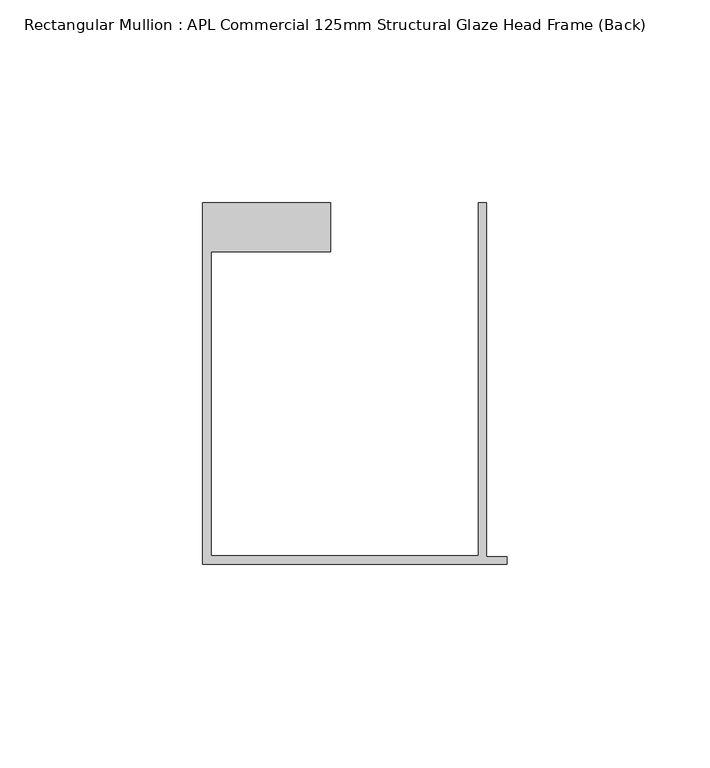
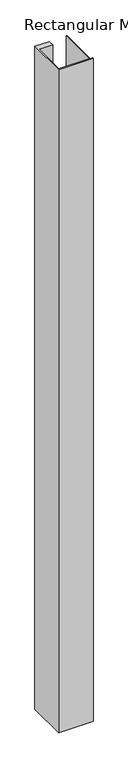
"""IFC4 building model written with IfcOpenShell, lengths in millimetres: member geometry, Rectangular Mullion : APL Commercial 125mm Structural Glaze Head Frame (Back)."""

from ifc_helpers import new_model, si_unit, frame, origin, place, context, project, spatial, polyline, outline, extrude, source, transform, mapped, element, save


def rectangular_mullion_apl_commercial_125mm_structural_glaze_e28fb06d(model_context):
    return source(origin(), model_context, "Body", "SweptSolid", [
        extrude(outline(polyline([(-75.0, -103.9993063), (-75.0, -14.9998342), (-43.5000151, -14.9998342), (-43.5000151, -26.9997514), (-73.0, -26.9997514), (-73.0, -101.9993063), (-7.0, -101.9993063), (-7.0, -14.9998342), (-5.0, -14.9998342), (-5.0, -102.1993063), (0.0, -102.1993063), (0.0, -103.9993063), (-75.0, -103.9993063)])), frame((0.0, 0.0, -1524.000019), z_axis=(0.0, 0.0, 1.0), x_axis=(1.0, 0.0, 0.0)), (0.0, 0.0, 1.0), 1524.000019),
    ])


if __name__ == "__main__":
    model = new_model("IFC4")
    model_context = context("Model", 3, world=origin())
    ifc_project = project(units=[si_unit("LENGTHUNIT", "METRE", prefix="MILLI")], contexts=[model_context])
    site = spatial("IfcSite", under=ifc_project)
    building = spatial("IfcBuilding", under=site)
    placement = place(None, origin())
    rectangular_mullion_apl_commercial_125mm_structural_glaze_shape = rectangular_mullion_apl_commercial_125mm_structural_glaze_e28fb06d(model_context)
    element("IfcMember", 1, ObjectType="Rectangular Mullion : APL Commercial 125mm Structural Glaze Head Frame (Back)", at=placement, inside=building, context=model_context, shape_type="MappedRepresentation", body=[
        mapped(rectangular_mullion_apl_commercial_125mm_structural_glaze_shape, transform((0.0, 0.0, 0.0), x_axis=(1.0, 0.0, 0.0), y_axis=(0.0, 1.0, 0.0), z_axis=(0.0, 0.0, 1.0))),
    ])
    save(model, "model.ifc")
